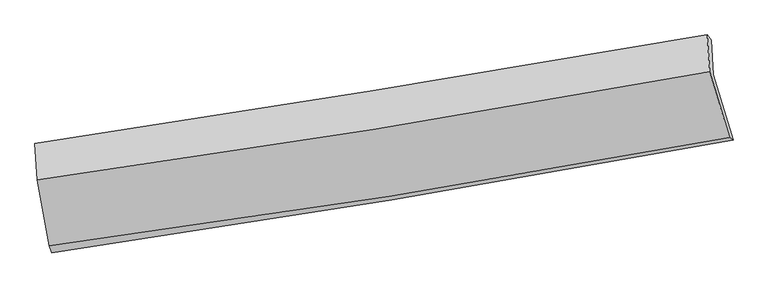
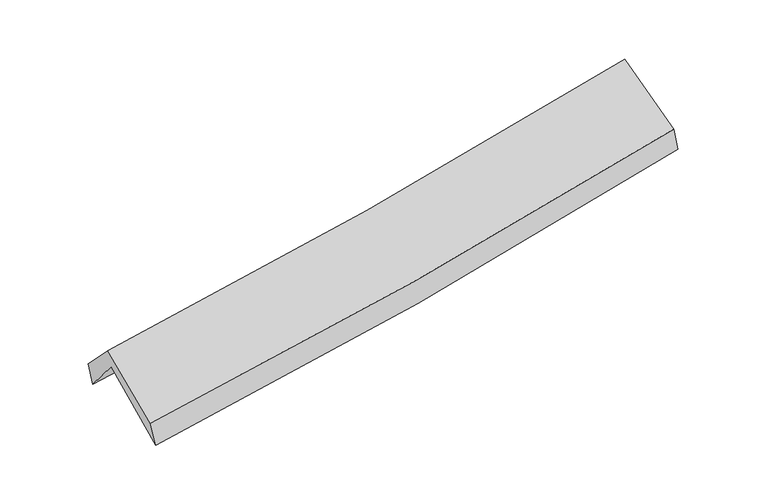
"""IFC4 building model written with IfcOpenShell, lengths in millimetres: proxy geometry."""

import ifcopenshell
import ifcopenshell.guid

model = None  # the IFC model being written
_history = None  # IfcOwnerHistory: only IFC2X3 demands one
_inside = {}  # id of a spatial element -> (the spatial element, [elements in it])
_under = {}  # id of a project, library or spatial element -> (it, [spatial elements below it])
_declared = {}  # id of a project -> (the project, [libraries it declares])
_typed = {}  # id of a type object -> (the type object, [elements of that type])
_made_of = {}  # id of a material, layer set ... -> (it, [elements and type objects made of it])


def new_model(schema):
    """Start an empty IFC model of exactly this schema.

    Asked for "IFC4X3", IfcOpenShell would pick the latest addendum, in which some entities
    have other attributes; the version numbers below select the first issue.
    IFC2X3 requires an IfcOwnerHistory on every rooted entity: one is made here for all.
    """
    global model, _history
    if schema == "IFC4X3":
        model = ifcopenshell.file(schema_version=(4, 3, 0, 0))
    else:
        model = ifcopenshell.file(schema=schema)
    _inside.clear()
    _under.clear()
    _declared.clear()
    _typed.clear()
    _made_of.clear()
    _history = None
    if model.schema == "IFC2X3":
        org = make("IfcOrganization", Name="unknown")
        user = make(
            "IfcPersonAndOrganization",
            ThePerson=make("IfcPerson", FamilyName="unknown"),
            TheOrganization=org,
        )
        app = make(
            "IfcApplication",
            ApplicationDeveloper=org,
            Version="unknown",
            ApplicationFullName="unknown",
            ApplicationIdentifier="unknown",
        )
        _history = make(
            "IfcOwnerHistory",
            OwningUser=user,
            OwningApplication=app,
            ChangeAction="ADDED",
            CreationDate=0,
        )
    return model


def make(cls, **values):
    """One entity of the class cls with the attributes given. An attribute that is None is left unset."""
    return model.create_entity(
        cls, **{name: value for name, value in values.items() if value is not None}
    )


def rooted(cls, **values):
    """An entity with a GlobalId (a new one), such as an element, a storey or a relation."""
    return make(cls, GlobalId=ifcopenshell.guid.new(), OwnerHistory=_history, **values)


def si_unit(unit_type, name, prefix=None):
    """IfcSIUnit, for example si_unit("LENGTHUNIT", "METRE", prefix="MILLI")."""
    return make("IfcSIUnit", UnitType=unit_type, Prefix=prefix, Name=name)


def assignment(units):
    """IfcUnitAssignment: the units of a project."""
    return None if units is None else make("IfcUnitAssignment", Units=units)


def point(xyz):
    """IfcCartesianPoint."""
    return None if xyz is None else make("IfcCartesianPoint", Coordinates=xyz)


def direction(xyz):
    """IfcDirection."""
    return None if xyz is None else make("IfcDirection", DirectionRatios=xyz)


def frame(location, z_axis=None, x_axis=None):
    """IfcAxis2Placement3D, a coordinate frame: its origin and axes. An axis left out is left unset."""
    return make(
        "IfcAxis2Placement3D",
        Location=point(location),
        Axis=direction(z_axis),
        RefDirection=direction(x_axis),
    )


def origin():
    """The frame at (0, 0, 0) with its axes left unset."""
    return frame((0.0, 0.0, 0.0))


def place(relative_to, where):
    """IfcLocalPlacement: puts the frame where relative to a parent placement (None: the world)."""
    return make(
        "IfcLocalPlacement", PlacementRelTo=relative_to, RelativePlacement=where
    )


def context(
    kind, dimensions, precision=None, world=None, true_north=None, identifier=None
):
    """IfcGeometricRepresentationContext, for example the 3D "Model" context."""
    return make(
        "IfcGeometricRepresentationContext",
        ContextIdentifier=identifier,
        ContextType=kind,
        CoordinateSpaceDimension=dimensions,
        Precision=precision,
        WorldCoordinateSystem=world,
        TrueNorth=true_north,
    )


def project(units=None, contexts=None):
    """IfcProject with its units and contexts."""
    return rooted(
        "IfcProject",
        Name="project",
        RepresentationContexts=contexts,
        UnitsInContext=assignment(units),
    )


def spatial(cls, under=None, at=None, **own):
    """A site, building, storey or space (cls), placed at a placement, below another one or the project."""
    s = rooted(cls, ObjectPlacement=at, **own)
    if under is not None:
        _under.setdefault(under.id(), (under, []))[1].append(s)
    return s


def shape(context_of_items, identifier, shape_type, items):
    """IfcShapeRepresentation: the items that make up one representation, for example the "Body"."""
    return make(
        "IfcShapeRepresentation",
        ContextOfItems=context_of_items,
        RepresentationIdentifier=identifier,
        RepresentationType=shape_type,
        Items=items,
    )


def source(mapping_origin, context_of_items, identifier, shape_type, items):
    """IfcRepresentationMap: a shape defined once, which mapped items show again and again."""
    return make(
        "IfcRepresentationMap",
        MappingOrigin=mapping_origin,
        MappedRepresentation=shape(context_of_items, identifier, shape_type, items),
    )


def transform(
    local_origin,
    x_axis=None,
    y_axis=None,
    z_axis=None,
    scale=None,
    scale2=None,
    scale3=None,
    uniform=True,
):
    """IfcCartesianTransformationOperator3D, or its non-uniform kind. x_axis, y_axis, z_axis: its Axis1, 2, 3."""
    if uniform:
        return make(
            "IfcCartesianTransformationOperator3D",
            Axis1=direction(x_axis),
            Axis2=direction(y_axis),
            LocalOrigin=point(local_origin),
            Scale=scale,
            Axis3=direction(z_axis),
        )
    return make(
        "IfcCartesianTransformationOperator3DnonUniform",
        Axis1=direction(x_axis),
        Axis2=direction(y_axis),
        LocalOrigin=point(local_origin),
        Scale=scale,
        Axis3=direction(z_axis),
        Scale2=scale2,
        Scale3=scale3,
    )


def mapped(mapping_source, mapping_target):
    """IfcMappedItem: shows the shape of a source again, moved by a transform."""
    return make(
        "IfcMappedItem", MappingSource=mapping_source, MappingTarget=mapping_target
    )


def made_of(thing, what):
    """Note that an element or type object is made of a material, layer set ...; save() writes the relation."""
    if what is not None:
        _made_of.setdefault(what.id(), (what, []))[1].append(thing)
    return thing


def element(
    cls,
    number,
    at=None,
    inside=None,
    cuts=None,
    type_object=None,
    material=None,
    context=None,
    identifier="Body",
    shape_type=None,
    held_by="IfcProductDefinitionShape",
    body=None,
    shapes=None,
    **own,
):
    """One element of the class cls, such as IfcWall. Its Tag is "e" and its number.

    at: its placement. inside: the storey or other place that contains it. cuts: it is an
    opening in that element (IfcRelVoidsElement). A single representation is given by context,
    identifier, shape_type and body (its items); several are given by shapes. held_by: the class
    of the entity that holds the representations. save() writes the other relations.
    """
    e = rooted(cls, Tag="e%d" % number, ObjectPlacement=at, **own)
    if body is not None:
        shapes = [shape(context, identifier, shape_type, body)]
    if shapes is not None:
        e.Representation = make(held_by, Representations=shapes)
    if inside is not None:
        _inside.setdefault(inside.id(), (inside, []))[1].append(e)
    if cuts is not None:
        rooted(
            "IfcRelVoidsElement", RelatingBuildingElement=cuts, RelatedOpeningElement=e
        )
    if type_object is not None:
        _typed.setdefault(type_object.id(), (type_object, []))[1].append(e)
    return made_of(e, material)


def aggregate(whole, parts):
    """IfcRelAggregates: a whole, such as a stair, and the parts it consists of."""
    return rooted("IfcRelAggregates", RelatingObject=whole, RelatedObjects=parts)


def save(model, path):
    """Write the relations noted so far, then the file.

    IfcRelAggregates (storeys below a building ...), IfcRelContainedInSpatialStructure (elements
    in a storey), IfcRelDefinesByType, IfcRelAssociatesMaterial and IfcRelDeclares: one each for
    every whole, place, type object, material and project.
    """
    for whole, parts in _under.values():
        aggregate(whole, parts)
    for where, things in _inside.values():
        rooted(
            "IfcRelContainedInSpatialStructure",
            RelatedElements=things,
            RelatingStructure=where,
        )
    for kind, things in _typed.values():
        rooted("IfcRelDefinesByType", RelatedObjects=things, RelatingType=kind)
    for what, things in _made_of.values():
        rooted("IfcRelAssociatesMaterial", RelatedObjects=things, RelatingMaterial=what)
    for by, libraries in _declared.values():
        rooted("IfcRelDeclares", RelatingContext=by, RelatedDefinitions=libraries)
    model.write(path)


def plane_surface(at):
    """IfcPlane: the flat surface through the origin of the frame at, square to its z axis."""
    return make("IfcPlane", Position=at)


def spline_curve(degree, points, multiplicities, knots, weights=None):
    """IfcBSplineCurveWithKnots; with weights, IfcRationalBSplineCurveWithKnots."""
    own = dict(
        Degree=degree,
        ControlPointsList=[point(p) for p in points],
        CurveForm="UNSPECIFIED",
        ClosedCurve=False,
        SelfIntersect=False,
        KnotMultiplicities=multiplicities,
        Knots=knots,
        KnotSpec="UNSPECIFIED",
    )
    if weights is None:
        return make("IfcBSplineCurveWithKnots", **own)
    return make("IfcRationalBSplineCurveWithKnots", WeightsData=weights, **own)


def spline_surface(u_degree, v_degree, points, u_multiplicities, v_multiplicities, u_knots, v_knots, weights=None):
    """IfcBSplineSurfaceWithKnots; with weights, IfcRationalBSplineSurfaceWithKnots. points: one row for each step in u."""
    own = dict(
        UDegree=u_degree,
        VDegree=v_degree,
        ControlPointsList=[[point(p) for p in row] for row in points],
        SurfaceForm="UNSPECIFIED",
        UClosed=False,
        VClosed=False,
        SelfIntersect=False,
        UMultiplicities=u_multiplicities,
        VMultiplicities=v_multiplicities,
        UKnots=u_knots,
        VKnots=v_knots,
        KnotSpec="UNSPECIFIED",
    )
    if weights is None:
        return make("IfcBSplineSurfaceWithKnots", **own)
    return make("IfcRationalBSplineSurfaceWithKnots", WeightsData=weights, **own)


def advanced_brep(points, edges, surfaces, faces):
    """IfcAdvancedBrep: a solid bounded by faces that lie on surfaces and meet in shared edges.

    An edge is (start, end): straight between two places in points (the first is 0);
    or (start, end, curve); or (start, end, curve, False) where it runs against its curve.
    A face is (place in surfaces, loops), or (place, loops, False) where it looks against
    its surface's normal. A loop lists edges by number (the first is 1), with a minus sign
    where the edge is run from its end to its start. The first loop is the outer one.
    """
    corners = [point(p) for p in points]
    vertices = [make("IfcVertexPoint", VertexGeometry=c) for c in corners]
    made = []
    for start, end, *more in edges:
        made.append(
            make(
                "IfcEdgeCurve",
                EdgeStart=vertices[start],
                EdgeEnd=vertices[end],
                EdgeGeometry=more[0] if more else make("IfcPolyline", Points=[corners[start], corners[end]]),
                SameSense=more[1] if len(more) > 1 else True,
            )
        )
    hull = []
    for where, loops, *sense in faces:
        bounds = []
        for j, loop in enumerate(loops):
            ring = [make("IfcOrientedEdge", EdgeElement=made[abs(k) - 1], Orientation=k > 0) for k in loop]
            bounds.append(
                make(
                    "IfcFaceOuterBound" if j == 0 else "IfcFaceBound",
                    Bound=make("IfcEdgeLoop", EdgeList=ring),
                    Orientation=True,
                )
            )
        hull.append(make("IfcAdvancedFace", Bounds=bounds, FaceSurface=surfaces[where], SameSense=sense[0] if sense else True))
    return make("IfcAdvancedBrep", Outer=make("IfcClosedShell", CfsFaces=hull))


def generic_models_8cc5f2a5(model_context):
    return source(origin(), model_context, "Body", "AdvancedBrep", [
        advanced_brep(
        [(-2459.9728852, -2504.530868, 1470.7352935), (-2555.4640179, -1986.5125628, 1922.0088639), (2491.632981, -1166.9204503, 2365.2695028), (2641.9899403, -1657.8721352, 1934.9172736), (-2568.0233374, -1723.8732425, 1603.0769327), (2479.3478752, -910.469457, 2060.8213733), (-2584.6592469, -1682.9241421, 1777.5696396), (2448.4944057, -869.4410779, 2242.8731283), (-2568.0955258, -1958.3467992, 2060.1913711), (2467.2524147, -1145.2912991, 2526.0687179), (-2478.3740719, -2453.095857, 1651.801218), (2615.320022, -1640.8740406, 2121.273869)],
        [
            (0, 1),
            (1, 2, spline_curve(3, [(-2555.4640179, -1986.5125628, 1922.0088639), (-1711.637970686, -1874.819998427, 1962.417843765), (-871.148115439, -1751.062683671, 2019.302431785), (811.28261107, -1478.100591728, 2166.734681588), (1653.158422149, -1328.660535576, 2257.60363997), (2491.632981, -1166.9204503, 2365.2695028)], [4, 2, 4], [0.0, 8.429892654402504, 16.941585566243294])),
            (2, 3),
            (3, 0, spline_curve(3, [(2641.9899403, -1657.8721352, 1934.9172736), (1793.102305151, -1815.480919948, 1831.27897958), (941.428684361, -1965.142684939, 1740.653760759), (-759.278882169, -2247.210249462, 1586.17535248), (-1608.259536497, -2379.768061915, 1522.073244508), (-2459.9728852, -2504.530868, 1470.7352935)], [4, 2, 4], [0.0, 8.51169291184079, 16.941585566243294])),
            (1, 4),
            (4, 5, spline_curve(3, [(-2568.0233374, -1723.8732425, 1603.0769327), (-1725.009779027, -1608.562368851, 1647.770246762), (-884.905498657, -1483.497890127, 1708.002701037), (797.608307226, -1212.553503503, 1860.281146767), (1639.961097427, -1066.483386842, 1952.630172982), (2479.3478752, -910.469457, 2060.8213733)], [4, 2, 4], [0.0, 8.381722497547925, 16.844777828879636])),
            (5, 2),
            (4, 6),
            (6, 7, spline_curve(3, [(-2584.6592469, -1682.9241421, 1777.5696396), (-1746.20046077, -1557.788051151, 1829.743214019), (-909.557945519, -1427.780701152, 1894.357709555), (768.195358419, -1156.714675961, 2049.216257539), (1609.270727311, -1015.561004394, 2139.702924961), (2448.4944057, -869.4410779, 2242.8731283)], [4, 2, 4], [0.0, 8.37041837522642, 16.82205989362087])),
            (7, 5),
            (6, 8),
            (8, 9, spline_curve(3, [(-2568.0955258, -1958.3467992, 2060.1913711), (-1728.808795392, -1840.053133947, 2119.247917966), (-891.569213096, -1713.518802813, 2187.367877488), (786.920022347, -1442.66100711, 2342.483577834), (1628.129753987, -1298.176838022, 2429.656067137), (2467.2524147, -1145.2912991, 2526.0687179)], [4, 2, 4], [0.0, 8.360682874864267, 16.80249442355175])),
            (9, 7),
            (8, 10),
            (10, 11, spline_curve(3, [(-2478.3740719, -2453.095857, 1651.801218), (-1628.223833573, -2339.097439651, 1710.149967518), (-780.710931288, -2214.789906548, 1778.211042017), (917.238531533, -1944.250342515, 1934.51252229), (1767.623660614, -1797.817270379, 2022.942331451), (2615.320022, -1640.8740406, 2121.273869)], [4, 2, 4], [0.0, 8.409525211151125, 16.900653042336405])),
            (11, 9),
            (10, 0),
            (3, 11),
        ],
        [
            spline_surface(3, 3, [[(-2459.9728852, -2504.530868, 1470.7352935), (-1608.259536401, -2379.768061874, 1522.073244524), (-759.278882102, -2247.210249447, 1586.175352396), (941.428684293, -1965.142684954, 1740.653760844), (1793.102305157, -1815.480919833, 1831.278979644), (2641.9899403, -1657.8721352, 1934.9172736)], [(-2491.803262766, -2331.858099583, 1621.159816983), (-1642.719014531, -2211.452040679, 1668.854777647), (-796.568626555, -2081.827727526, 1730.551045568), (898.046659896, -1802.795320551, 1882.680734443), (1746.454344133, -1653.207458421, 1973.387199721), (2591.870953888, -1494.221573578, 2078.368016667)], [(-2523.633640334, -2159.185331217, 1771.584340417), (-1677.178492664, -2043.136019533, 1815.63631072), (-833.858371012, -1916.44520559, 1874.92673865), (854.664635493, -1640.447956134, 2024.707707952), (1699.806383044, -1490.933996975, 2115.495419798), (2541.751967412, -1330.571011922, 2221.818759733)], [(-2555.4640179, -1986.5125628, 1922.0088639), (-1711.637970794, -1874.819998337, 1962.417843843), (-871.148115464, -1751.062683669, 2019.302431822), (811.282611096, -1478.100591731, 2166.734681551), (1653.15842202, -1328.660535563, 2257.603639876), (2491.632981, -1166.9204503, 2365.2695028)]], [4, 4], [4, 2, 4], [0.0, 2.178283421448158], [0.0, 8.429892654402504, 16.941585566243294]),
            spline_surface(3, 3, [[(-2555.4640179, -1986.5125628, 1922.0088639), (-1711.637970794, -1874.819998337, 1962.417843843), (-871.148115464, -1751.062683669, 2019.302431822), (811.282611096, -1478.100591731, 2166.734681551), (1653.15842202, -1328.660535563, 2257.603639876), (2491.632981, -1166.9204503, 2365.2695028)], [(-2559.650457734, -1898.966122706, 1815.698220159), (-1716.095240208, -1786.067455144, 1857.53531143), (-875.733909833, -1661.874419174, 1915.535854827), (806.724509778, -1389.584895641, 2064.583503314), (1648.759313841, -1241.268152662, 2155.945817519), (2487.537945716, -1081.436785871, 2263.78679295)], [(-2563.836897566, -1811.419682594, 1709.387576441), (-1720.55250962, -1697.314911931, 1752.652779041), (-880.319704204, -1572.686154671, 1811.769277896), (802.166408459, -1301.069199543, 1962.432325141), (1644.360205714, -1153.875769748, 2054.287995211), (2483.442910484, -995.953121429, 2162.30408315)], [(-2568.0233374, -1723.8732425, 1603.0769327), (-1725.009779034, -1608.562368738, 1647.770246628), (-884.905498573, -1483.497890176, 1708.002700901), (797.608307141, -1212.553503452, 1860.281146905), (1639.961097535, -1066.483386847, 1952.630172854), (2479.3478752, -910.469457, 2060.8213733)]], [4, 4], [4, 2, 4], [0.0, 1.3392308974219984], [0.0, 8.381722497547925, 16.844777828879636]),
            spline_surface(3, 3, [[(-2568.0233374, -1723.8732425, 1603.0769327), (-1725.009779034, -1608.562368738, 1647.770246628), (-884.905498573, -1483.497890176, 1708.002700901), (797.608307141, -1212.553503452, 1860.281146905), (1639.961097535, -1066.483386847, 1952.630172854), (2479.3478752, -910.469457, 2060.8213733)], [(-2573.568640565, -1710.223542371, 1661.241168343), (-1732.073339609, -1591.637596219, 1708.427902397), (-893.122980877, -1464.925493858, 1770.121037105), (787.803990918, -1193.940560943, 1923.259517163), (1629.730974159, -1049.509259389, 2014.987756914), (2469.063385389, -896.793330623, 2121.505291657)], [(-2579.113943735, -1696.573842229, 1719.405403957), (-1739.136900189, -1574.712823687, 1769.085558136), (-901.340463224, -1446.353097523, 1832.239373261), (777.999674652, -1175.327618417, 1986.237887372), (1619.500850716, -1032.535131961, 2077.345340905), (2458.778895511, -883.117204277, 2182.189209943)], [(-2584.6592469, -1682.9241421, 1777.5696396), (-1746.200460764, -1557.788051169, 1829.743213905), (-909.557945528, -1427.780701205, 1894.357709465), (768.195358429, -1156.714675908, 2049.216257631), (1609.27072734, -1015.561004502, 2139.702924965), (2448.4944057, -869.4410779, 2242.8731283)]], [4, 4], [4, 2, 4], [0.0, 0.6483995591108761], [0.0, 8.37041837522642, 16.82205989362087]),
            spline_surface(3, 3, [[(-2584.6592469, -1682.9241421, 1777.5696396), (-1746.200460764, -1557.788051169, 1829.743213905), (-909.557945528, -1427.780701205, 1894.357709465), (768.195358429, -1156.714675908, 2049.216257631), (1609.27072734, -1015.561004502, 2139.702924965), (2448.4944057, -869.4410779, 2242.8731283)], [(-2579.138006523, -1774.731694475, 1871.776883444), (-1740.403238927, -1651.876412122, 1926.244781971), (-903.561701434, -1523.026735109, 1992.027765505), (774.436913087, -1252.030119596, 2146.972030996), (1615.557069495, -1109.766282364, 2236.353972357), (2454.747075344, -961.39115165, 2337.271658145)], [(-2573.616766177, -1866.539246825, 1965.984127256), (-1734.606017123, -1745.964773051, 2022.746350005), (-897.565457292, -1618.272769028, 2089.69782155), (780.678467792, -1347.3455633, 2244.727804366), (1621.84341172, -1203.971560176, 2333.005019813), (2460.999745056, -1053.34122535, 2431.670188055)], [(-2568.0955258, -1958.3467992, 2060.1913711), (-1728.808795287, -1840.053134004, 2119.247918072), (-891.569213198, -1713.518802933, 2187.36787759), (786.92002245, -1442.661006988, 2342.483577731), (1628.129753875, -1298.176838038, 2429.656067205), (2467.2524147, -1145.2912991, 2526.0687179)]], [4, 4], [4, 2, 4], [0.0, 1.3446410181477952], [0.0, 8.360682874864267, 16.80249442355175]),
            spline_surface(3, 3, [[(-2568.0955258, -1958.3467992, 2060.1913711), (-1728.808795287, -1840.053134004, 2119.247918072), (-891.569213198, -1713.518802933, 2187.36787759), (786.92002245, -1442.661006988, 2342.483577731), (1628.129753875, -1298.176838038, 2429.656067205), (2467.2524147, -1145.2912991, 2526.0687179)], [(-2538.188374513, -2123.263151801, 1924.061320064), (-1695.280474761, -2006.401235886, 1982.881934551), (-854.616452547, -1880.609170755, 2050.982265718), (830.359525521, -1609.857452186, 2206.493225885), (1674.627722759, -1464.723648818, 2294.084821957), (2516.608283799, -1310.485546265, 2391.137101607)], [(-2508.281223187, -2288.179504399, 1787.931269036), (-1661.752154196, -2172.749337767, 1846.515951038), (-817.663691982, -2047.699538618, 1914.596653916), (873.799028506, -1777.053897426, 2070.502874108), (1721.125691645, -1631.270459604, 2158.51357669), (2565.964152901, -1475.679793435, 2256.205485293)], [(-2478.3740719, -2453.095857, 1651.801218), (-1628.223833671, -2339.097439649, 1710.149967518), (-780.710931332, -2214.78990644, 1778.211042045), (917.238531577, -1944.250342624, 1934.512522262), (1767.623660528, -1797.817270383, 2022.942331442), (2615.320022, -1640.8740406, 2121.273869)]], [4, 4], [4, 2, 4], [0.0, 2.158677126672163], [0.0, 8.409525211151125, 16.900653042336405]),
            spline_surface(3, 3, [[(-2478.3740719, -2453.095857, 1651.801218), (-1628.223833671, -2339.097439649, 1710.149967518), (-780.710931332, -2214.78990644, 1778.211042045), (917.238531577, -1944.250342624, 1934.512522262), (1767.623660528, -1797.817270383, 2022.942331442), (2615.320022, -1640.8740406, 2121.273869)], [(-2472.240342999, -2470.240860664, 1591.445909806), (-1621.569067913, -2352.654313721, 1647.457726493), (-773.566914951, -2225.596687448, 1714.199145495), (925.301915786, -1951.21445674, 1869.892935123), (1776.116542069, -1803.705153513, 1959.054547517), (2624.209994765, -1646.540072113, 2059.155003874)], [(-2466.106614101, -2487.385864336, 1531.090601694), (-1614.914302158, -2366.211187802, 1584.765485549), (-766.422898483, -2236.403468439, 1650.187248946), (933.365300084, -1958.178570838, 1805.273347983), (1784.609423616, -1809.593036704, 1895.166763569), (2633.099967535, -1652.206103687, 1997.036138726)], [(-2459.9728852, -2504.530868, 1470.7352935), (-1608.259536401, -2379.768061874, 1522.073244524), (-759.278882102, -2247.210249447, 1586.175352396), (941.428684293, -1965.142684954, 1740.653760844), (1793.102305157, -1815.480919833, 1831.278979644), (2641.9899403, -1657.8721352, 1934.9172736)]], [4, 4], [4, 2, 4], [0.0, 0.6434169958035707], [0.0, 8.467446143296113, 17.017056947847397]),
            plane_surface(frame((2524.0062731, -1231.81141, 2208.5373108), z_axis=(0.9739114305722187, 0.19139428421743268, 0.1219210948510191), x_axis=(0.2254381792527566, -0.7545422861278036, -0.6163145023283403))),
            plane_surface(frame((-2535.7648476, -2051.5472453, 1747.5638865), z_axis=(-0.9899080521464527, -0.1260272446240833, -0.06480109496048175), x_axis=(-0.09729538292839601, 0.27196012797122127, 0.957377301409791))),
        ],
        [
            (0, [[1, 2, 3, 4]]),
            (1, [[5, 6, 7, -2]]),
            (2, [[8, 9, 10, -6]]),
            (3, [[11, 12, 13, -9]]),
            (4, [[14, 15, 16, -12]]),
            (5, [[17, -4, 18, -15]]),
            (6, [[-16, -18, -3, -7, -10, -13]]),
            (7, [[-17, -14, -11, -8, -5, -1]]),
        ],
    ),
    ])


if __name__ == "__main__":
    model = new_model("IFC4")
    model_context = context("Model", 3, world=origin())
    ifc_project = project(units=[si_unit("LENGTHUNIT", "METRE", prefix="MILLI")], contexts=[model_context])
    site = spatial("IfcSite", under=ifc_project)
    building = spatial("IfcBuilding", under=site)
    placement = place(None, origin())
    generic_models_shape = generic_models_8cc5f2a5(model_context)
    element("IfcBuildingElementProxy", 1, Name="Generic Models", at=placement, inside=building, context=model_context, shape_type="MappedRepresentation", body=[
        mapped(generic_models_shape, transform((0.0, 0.0, 0.0), x_axis=(1.0, 0.0, 0.0), y_axis=(0.0, 1.0, 0.0), z_axis=(0.0, 0.0, 1.0))),
    ])
    save(model, "model.ifc")
